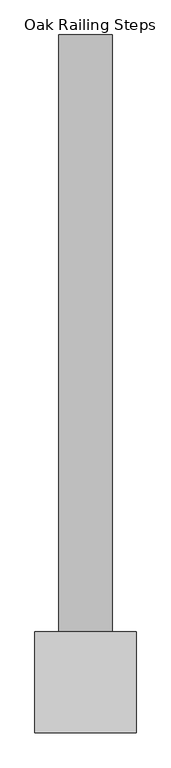
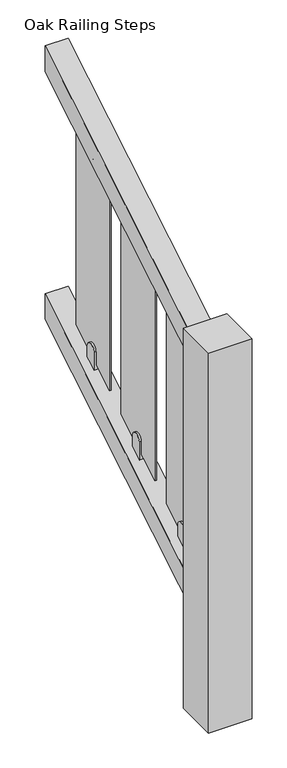
"""IFC4 building model written with IfcOpenShell, lengths in millimetres: railing geometry, Oak Railing Steps."""

from ifc_helpers import new_model, si_unit, point, frame, frame_2d, origin, place, context, project, spatial, polyline, circle_curve, trimmed, segment, composite_curve, outline, extrude, source, transform, mapped, element, save


def oak_railing_steps_495bd1a6(model_context):
    return source(origin(), model_context, "Body", "SweptSolid", [
        extrude(outline(polyline([(3022.5685624, 5386.7047697), (3022.5685624, 5480.0), (3982.557511, 6055.9933692), (3982.557511, 5962.6981389), (3022.5685624, 5386.7047697)])), frame((406.6546435, 0.0, 0.0), z_axis=(1.0, 0.0, 0.0), x_axis=(0.0, 1.0, 0.0)), (0.0, 0.0, 1.0), 80.0),
        extrude(outline(polyline([(3022.5685624, 4486.7047697), (3022.5685624, 4580.0), (3982.557511, 5155.9933692), (3982.557511, 5062.6981389), (3022.5685624, 4486.7047697)])), frame((406.6546435, 0.0, 0.0), z_axis=(1.0, 0.0, 0.0), x_axis=(0.0, 1.0, 0.0)), (0.0, 0.0, 1.0), 80.0),
        extrude(outline(composite_curve([segment(polyline([(3742.5685624, 5834.9791886), (3782.5685624, 5858.9791886), (3782.5685624, 5789.3149347)]), True, "CONTINUOUS"), segment(trimmed(circle_curve(frame_2d((3762.5685624, 5789.3149347)), 20.0), [point((3782.5685624, 5789.3149347))], [point((3742.5685624, 5789.3149347))], False, "CARTESIAN"), True, "CONTINUOUS"), segment(polyline([(3742.5685624, 5789.3149347), (3742.5685624, 5834.9791886)]), True, "CONTINUOUS")], self_intersect=False)), frame((436.6546435, 0.0, 0.0), z_axis=(1.0, 0.0, 0.0), x_axis=(0.0, 1.0, 0.0)), (0.0, 0.0, 1.0), 20.0),
        extrude(outline(composite_curve([segment(polyline([(3782.5685624, 5033.0208114), (3742.5685624, 5009.0208114), (3742.5685624, 5078.6850653)]), True, "CONTINUOUS"), segment(trimmed(circle_curve(frame_2d((3762.5685624, 5078.6850653)), 20.0), [point((3742.5685624, 5078.6850653))], [point((3782.5685624, 5078.6850653))], False, "CARTESIAN"), True, "CONTINUOUS"), segment(polyline([(3782.5685624, 5078.6850653), (3782.5685624, 5033.0208114)]), True, "CONTINUOUS")], self_intersect=False)), frame((436.6546435, 0.0, 0.0), z_axis=(1.0, 0.0, 0.0), x_axis=(0.0, 1.0, 0.0)), (0.0, 0.0, 1.0), 20.0),
        extrude(outline(polyline([(3662.5685624, 5764.0), (3862.5685624, 5884.0), (3862.5685624, 5104.0), (3662.5685624, 4984.0), (3662.5685624, 5764.0)])), frame((443.6546435, 0.0, 0.0), z_axis=(1.0, 0.0, 0.0), x_axis=(0.0, 1.0, 0.0)), (0.0, 0.0, 1.0), 6.0),
        extrude(outline(composite_curve([segment(polyline([(3472.5685624, 5672.9791886), (3512.5685624, 5696.9791886), (3512.5685624, 5627.3149347)]), True, "CONTINUOUS"), segment(trimmed(circle_curve(frame_2d((3492.5685624, 5627.3149347)), 20.0), [point((3512.5685624, 5627.3149347))], [point((3472.5685624, 5627.3149347))], False, "CARTESIAN"), True, "CONTINUOUS"), segment(polyline([(3472.5685624, 5627.3149347), (3472.5685624, 5672.9791886)]), True, "CONTINUOUS")], self_intersect=False)), frame((436.6546435, 0.0, 0.0), z_axis=(1.0, 0.0, 0.0), x_axis=(0.0, 1.0, 0.0)), (0.0, 0.0, 1.0), 20.0),
        extrude(outline(composite_curve([segment(polyline([(3512.5685624, 4871.0208114), (3472.5685624, 4847.0208114), (3472.5685624, 4916.6850653)]), True, "CONTINUOUS"), segment(trimmed(circle_curve(frame_2d((3492.5685624, 4916.6850653)), 20.0), [point((3472.5685624, 4916.6850653))], [point((3512.5685624, 4916.6850653))], False, "CARTESIAN"), True, "CONTINUOUS"), segment(polyline([(3512.5685624, 4916.6850653), (3512.5685624, 4871.0208114)]), True, "CONTINUOUS")], self_intersect=False)), frame((436.6546435, 0.0, 0.0), z_axis=(1.0, 0.0, 0.0), x_axis=(0.0, 1.0, 0.0)), (0.0, 0.0, 1.0), 20.0),
        extrude(outline(polyline([(3392.5685624, 5602.0), (3592.5685624, 5722.0), (3592.5685624, 4942.0), (3392.5685624, 4822.0), (3392.5685624, 5602.0)])), frame((443.6546435, 0.0, 0.0), z_axis=(1.0, 0.0, 0.0), x_axis=(0.0, 1.0, 0.0)), (0.0, 0.0, 1.0), 6.0),
        extrude(outline(composite_curve([segment(polyline([(3202.5685624, 5510.9791886), (3242.5685624, 5534.9791886), (3242.5685624, 5465.3149347)]), True, "CONTINUOUS"), segment(trimmed(circle_curve(frame_2d((3222.5685624, 5465.3149347)), 20.0), [point((3242.5685624, 5465.3149347))], [point((3202.5685624, 5465.3149347))], False, "CARTESIAN"), True, "CONTINUOUS"), segment(polyline([(3202.5685624, 5465.3149347), (3202.5685624, 5510.9791886)]), True, "CONTINUOUS")], self_intersect=False)), frame((436.6546435, 0.0, 0.0), z_axis=(1.0, 0.0, 0.0), x_axis=(0.0, 1.0, 0.0)), (0.0, 0.0, 1.0), 20.0),
        extrude(outline(composite_curve([segment(polyline([(3242.5685624, 4709.0208114), (3202.5685624, 4685.0208114), (3202.5685624, 4754.6850653)]), True, "CONTINUOUS"), segment(trimmed(circle_curve(frame_2d((3222.5685624, 4754.6850653)), 20.0), [point((3202.5685624, 4754.6850653))], [point((3242.5685624, 4754.6850653))], False, "CARTESIAN"), True, "CONTINUOUS"), segment(polyline([(3242.5685624, 4754.6850653), (3242.5685624, 4709.0208114)]), True, "CONTINUOUS")], self_intersect=False)), frame((436.6546435, 0.0, 0.0), z_axis=(1.0, 0.0, 0.0), x_axis=(0.0, 1.0, 0.0)), (0.0, 0.0, 1.0), 20.0),
        extrude(outline(polyline([(3122.5685624, 5440.0), (3322.5685624, 5560.0), (3322.5685624, 4780.0), (3122.5685624, 4660.0), (3122.5685624, 5440.0)])), frame((443.6546435, 0.0, 0.0), z_axis=(1.0, 0.0, 0.0), x_axis=(0.0, 1.0, 0.0)), (0.0, 0.0, 1.0), 6.0),
        extrude(outline(polyline([(521.6546435, 2947.5685624), (371.6546435, 2947.5685624), (371.6546435, 3097.5685624), (521.6546435, 3097.5685624), (521.6546435, 2947.5685624)])), frame((0.0, 0.0, 4200.0), z_axis=(0.0, 0.0, 1.0), x_axis=(1.0, 0.0, 0.0)), (0.0, 0.0, 1.0), 1380.0),
    ])


if __name__ == "__main__":
    model = new_model("IFC4")
    model_context = context("Model", 3, world=origin())
    ifc_project = project(units=[si_unit("LENGTHUNIT", "METRE", prefix="MILLI")], contexts=[model_context])
    site = spatial("IfcSite", under=ifc_project)
    building = spatial("IfcBuilding", under=site)
    placement = place(None, origin())
    oak_railing_steps_shape = oak_railing_steps_495bd1a6(model_context)
    element("IfcRailing", 1, ObjectType="Oak Railing Steps", at=placement, inside=building, context=model_context, shape_type="MappedRepresentation", body=[
        mapped(oak_railing_steps_shape, transform((0.0, 0.0, 0.0), x_axis=(1.0, 0.0, 0.0), y_axis=(0.0, 1.0, 0.0), z_axis=(0.0, 0.0, 1.0))),
    ])
    save(model, "model.ifc")
